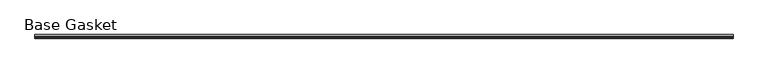
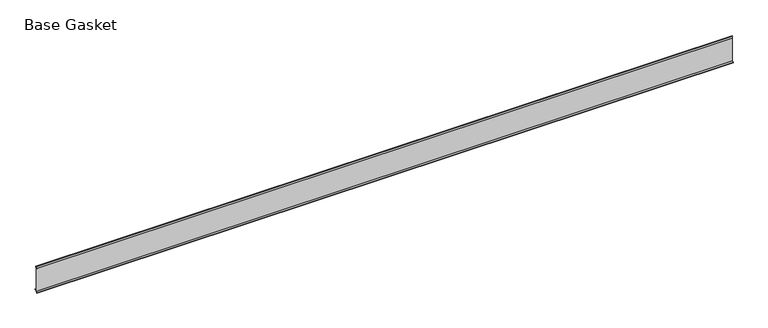
"""IFC4 building model written with IfcOpenShell, lengths in millimetres: furniture geometry, Base Gasket."""

import ifcopenshell
import ifcopenshell.guid

model = None  # the IFC model being written
_history = None  # IfcOwnerHistory: only IFC2X3 demands one
_inside = {}  # id of a spatial element -> (the spatial element, [elements in it])
_under = {}  # id of a project, library or spatial element -> (it, [spatial elements below it])
_declared = {}  # id of a project -> (the project, [libraries it declares])
_typed = {}  # id of a type object -> (the type object, [elements of that type])
_made_of = {}  # id of a material, layer set ... -> (it, [elements and type objects made of it])


def new_model(schema):
    """Start an empty IFC model of exactly this schema.

    Asked for "IFC4X3", IfcOpenShell would pick the latest addendum, in which some entities
    have other attributes; the version numbers below select the first issue.
    IFC2X3 requires an IfcOwnerHistory on every rooted entity: one is made here for all.
    """
    global model, _history
    if schema == "IFC4X3":
        model = ifcopenshell.file(schema_version=(4, 3, 0, 0))
    else:
        model = ifcopenshell.file(schema=schema)
    _inside.clear()
    _under.clear()
    _declared.clear()
    _typed.clear()
    _made_of.clear()
    _history = None
    if model.schema == "IFC2X3":
        org = make("IfcOrganization", Name="unknown")
        user = make(
            "IfcPersonAndOrganization",
            ThePerson=make("IfcPerson", FamilyName="unknown"),
            TheOrganization=org,
        )
        app = make(
            "IfcApplication",
            ApplicationDeveloper=org,
            Version="unknown",
            ApplicationFullName="unknown",
            ApplicationIdentifier="unknown",
        )
        _history = make(
            "IfcOwnerHistory",
            OwningUser=user,
            OwningApplication=app,
            ChangeAction="ADDED",
            CreationDate=0,
        )
    return model


def make(cls, **values):
    """One entity of the class cls with the attributes given. An attribute that is None is left unset."""
    return model.create_entity(
        cls, **{name: value for name, value in values.items() if value is not None}
    )


def rooted(cls, **values):
    """An entity with a GlobalId (a new one), such as an element, a storey or a relation."""
    return make(cls, GlobalId=ifcopenshell.guid.new(), OwnerHistory=_history, **values)


def si_unit(unit_type, name, prefix=None):
    """IfcSIUnit, for example si_unit("LENGTHUNIT", "METRE", prefix="MILLI")."""
    return make("IfcSIUnit", UnitType=unit_type, Prefix=prefix, Name=name)


def assignment(units):
    """IfcUnitAssignment: the units of a project."""
    return None if units is None else make("IfcUnitAssignment", Units=units)


def point(xyz):
    """IfcCartesianPoint."""
    return None if xyz is None else make("IfcCartesianPoint", Coordinates=xyz)


def direction(xyz):
    """IfcDirection."""
    return None if xyz is None else make("IfcDirection", DirectionRatios=xyz)


def frame(location, z_axis=None, x_axis=None):
    """IfcAxis2Placement3D, a coordinate frame: its origin and axes. An axis left out is left unset."""
    return make(
        "IfcAxis2Placement3D",
        Location=point(location),
        Axis=direction(z_axis),
        RefDirection=direction(x_axis),
    )


def origin():
    """The frame at (0, 0, 0) with its axes left unset."""
    return frame((0.0, 0.0, 0.0))


def place(relative_to, where):
    """IfcLocalPlacement: puts the frame where relative to a parent placement (None: the world)."""
    return make(
        "IfcLocalPlacement", PlacementRelTo=relative_to, RelativePlacement=where
    )


def context(
    kind, dimensions, precision=None, world=None, true_north=None, identifier=None
):
    """IfcGeometricRepresentationContext, for example the 3D "Model" context."""
    return make(
        "IfcGeometricRepresentationContext",
        ContextIdentifier=identifier,
        ContextType=kind,
        CoordinateSpaceDimension=dimensions,
        Precision=precision,
        WorldCoordinateSystem=world,
        TrueNorth=true_north,
    )


def project(units=None, contexts=None):
    """IfcProject with its units and contexts."""
    return rooted(
        "IfcProject",
        Name="project",
        RepresentationContexts=contexts,
        UnitsInContext=assignment(units),
    )


def spatial(cls, under=None, at=None, **own):
    """A site, building, storey or space (cls), placed at a placement, below another one or the project."""
    s = rooted(cls, ObjectPlacement=at, **own)
    if under is not None:
        _under.setdefault(under.id(), (under, []))[1].append(s)
    return s


def polyline(points):
    """IfcPolyline through the points."""
    return make("IfcPolyline", Points=[point(p) for p in points])


def outline(outer, holes=None, kind="AREA"):
    """IfcArbitraryClosedProfileDef: a profile drawn as a closed curve; with holes, ...WithVoids."""
    if holes is None:
        return make("IfcArbitraryClosedProfileDef", ProfileType=kind, OuterCurve=outer)
    return make(
        "IfcArbitraryProfileDefWithVoids",
        ProfileType=kind,
        OuterCurve=outer,
        InnerCurves=holes,
    )


def extrude(swept, where, along, depth):
    """IfcExtrudedAreaSolid: the profile swept, set in the frame where, extruded along a direction by depth."""
    return make(
        "IfcExtrudedAreaSolid",
        SweptArea=swept,
        Position=where,
        ExtrudedDirection=direction(along),
        Depth=depth,
    )


def shape(context_of_items, identifier, shape_type, items):
    """IfcShapeRepresentation: the items that make up one representation, for example the "Body"."""
    return make(
        "IfcShapeRepresentation",
        ContextOfItems=context_of_items,
        RepresentationIdentifier=identifier,
        RepresentationType=shape_type,
        Items=items,
    )


def source(mapping_origin, context_of_items, identifier, shape_type, items):
    """IfcRepresentationMap: a shape defined once, which mapped items show again and again."""
    return make(
        "IfcRepresentationMap",
        MappingOrigin=mapping_origin,
        MappedRepresentation=shape(context_of_items, identifier, shape_type, items),
    )


def transform(
    local_origin,
    x_axis=None,
    y_axis=None,
    z_axis=None,
    scale=None,
    scale2=None,
    scale3=None,
    uniform=True,
):
    """IfcCartesianTransformationOperator3D, or its non-uniform kind. x_axis, y_axis, z_axis: its Axis1, 2, 3."""
    if uniform:
        return make(
            "IfcCartesianTransformationOperator3D",
            Axis1=direction(x_axis),
            Axis2=direction(y_axis),
            LocalOrigin=point(local_origin),
            Scale=scale,
            Axis3=direction(z_axis),
        )
    return make(
        "IfcCartesianTransformationOperator3DnonUniform",
        Axis1=direction(x_axis),
        Axis2=direction(y_axis),
        LocalOrigin=point(local_origin),
        Scale=scale,
        Axis3=direction(z_axis),
        Scale2=scale2,
        Scale3=scale3,
    )


def mapped(mapping_source, mapping_target):
    """IfcMappedItem: shows the shape of a source again, moved by a transform."""
    return make(
        "IfcMappedItem", MappingSource=mapping_source, MappingTarget=mapping_target
    )


def made_of(thing, what):
    """Note that an element or type object is made of a material, layer set ...; save() writes the relation."""
    if what is not None:
        _made_of.setdefault(what.id(), (what, []))[1].append(thing)
    return thing


def element(
    cls,
    number,
    at=None,
    inside=None,
    cuts=None,
    type_object=None,
    material=None,
    context=None,
    identifier="Body",
    shape_type=None,
    held_by="IfcProductDefinitionShape",
    body=None,
    shapes=None,
    **own,
):
    """One element of the class cls, such as IfcWall. Its Tag is "e" and its number.

    at: its placement. inside: the storey or other place that contains it. cuts: it is an
    opening in that element (IfcRelVoidsElement). A single representation is given by context,
    identifier, shape_type and body (its items); several are given by shapes. held_by: the class
    of the entity that holds the representations. save() writes the other relations.
    """
    e = rooted(cls, Tag="e%d" % number, ObjectPlacement=at, **own)
    if body is not None:
        shapes = [shape(context, identifier, shape_type, body)]
    if shapes is not None:
        e.Representation = make(held_by, Representations=shapes)
    if inside is not None:
        _inside.setdefault(inside.id(), (inside, []))[1].append(e)
    if cuts is not None:
        rooted(
            "IfcRelVoidsElement", RelatingBuildingElement=cuts, RelatedOpeningElement=e
        )
    if type_object is not None:
        _typed.setdefault(type_object.id(), (type_object, []))[1].append(e)
    return made_of(e, material)


def aggregate(whole, parts):
    """IfcRelAggregates: a whole, such as a stair, and the parts it consists of."""
    return rooted("IfcRelAggregates", RelatingObject=whole, RelatedObjects=parts)


def save(model, path):
    """Write the relations noted so far, then the file.

    IfcRelAggregates (storeys below a building ...), IfcRelContainedInSpatialStructure (elements
    in a storey), IfcRelDefinesByType, IfcRelAssociatesMaterial and IfcRelDeclares: one each for
    every whole, place, type object, material and project.
    """
    for whole, parts in _under.values():
        aggregate(whole, parts)
    for where, things in _inside.values():
        rooted(
            "IfcRelContainedInSpatialStructure",
            RelatedElements=things,
            RelatingStructure=where,
        )
    for kind, things in _typed.values():
        rooted("IfcRelDefinesByType", RelatedObjects=things, RelatingType=kind)
    for what, things in _made_of.values():
        rooted("IfcRelAssociatesMaterial", RelatedObjects=things, RelatingMaterial=what)
    for by, libraries in _declared.values():
        rooted("IfcRelDeclares", RelatingContext=by, RelatedDefinitions=libraries)
    model.write(path)


def base_gasket_b1a9821c(model_context):
    return source(origin(), model_context, "Body", "SweptSolid", [
        extrude(outline(polyline([(-3.7283812, 98.4568417), (-1.1891543, 104.587663), (-0.6755308, 105.2002997), (-0.6755308, 104.4162708), (-2.2043812, 98.4568417), (-2.2043812, 96.8693477), (-1.4106313, 96.8693477), (-1.4106313, 71.4693447), (-2.2043812, 71.4693447), (-2.2043812, 7.9398773), (6.2405171, 7.9398773), (6.2405171, 6.3818476), (-2.1334222, 6.3818476), (-2.2043812, 4.3498477), (-6.8281054, 0.3520979), (-7.8482342, 0.0), (-7.4222115, 0.6560174), (-3.7283812, 4.3498477), (-3.7283812, 98.4568417)])), frame((-1527.8982117, 0.0, 0.0), z_axis=(1.0, 0.0, 0.0), x_axis=(0.0, 1.0, 0.0)), (0.0, 0.0, 1.0), 2714.0408),
    ])


if __name__ == "__main__":
    model = new_model("IFC4")
    model_context = context("Model", 3, world=origin())
    ifc_project = project(units=[si_unit("LENGTHUNIT", "METRE", prefix="MILLI")], contexts=[model_context])
    site = spatial("IfcSite", under=ifc_project)
    building = spatial("IfcBuilding", under=site)
    placement = place(None, origin())
    base_gasket_shape = base_gasket_b1a9821c(model_context)
    element("IfcFurniture", 1, ObjectType="Base Gasket", at=placement, inside=building, context=model_context, shape_type="MappedRepresentation", body=[
        mapped(base_gasket_shape, transform((0.0, 0.0, 0.0), x_axis=(1.0, 0.0, 0.0), y_axis=(0.0, 1.0, 0.0), z_axis=(0.0, 0.0, 1.0))),
    ])
    save(model, "model.ifc")
